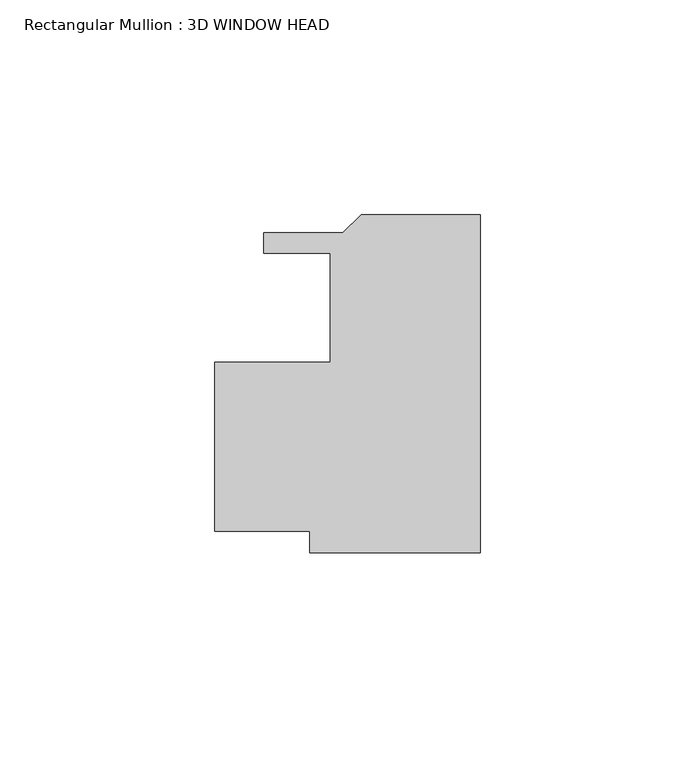
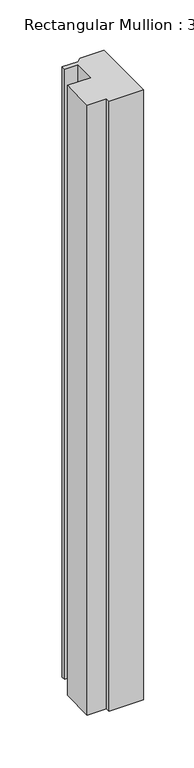
"""IFC4 building model written with IfcOpenShell, lengths in millimetres: member geometry, Rectangular Mullion : 3D WINDOW HEAD."""

from ifc_helpers import new_model, si_unit, frame, origin, place, context, project, spatial, polyline, outline, extrude, source, transform, mapped, element, save


def rectangular_mullion_3d_window_head_49952d62(model_context):
    return source(origin(), model_context, "Body", "SweptSolid", [
        extrude(outline(polyline([(0.0, -57.138783), (-39.7006057, -57.138783), (-39.7006057, -52.0588038), (-61.9070923, -52.0588038), (-61.9070923, -12.6888037), (-34.9381058, -12.6888037), (-34.9381058, 12.7111961), (-50.4207418, 12.7111961), (-50.4207418, 17.4101962), (-32.0567475, 17.4101962), (-27.7895475, 21.6773962), (0.0, 21.6773962), (0.0, -57.138783)])), frame((0.0, 0.0, -740.2692008), z_axis=(0.0, 0.0, 1.0), x_axis=(1.0, 0.0, 0.0)), (0.0, 0.0, 1.0), 740.2692008),
    ])


if __name__ == "__main__":
    model = new_model("IFC4")
    model_context = context("Model", 3, world=origin())
    ifc_project = project(units=[si_unit("LENGTHUNIT", "METRE", prefix="MILLI")], contexts=[model_context])
    site = spatial("IfcSite", under=ifc_project)
    building = spatial("IfcBuilding", under=site)
    placement = place(None, origin())
    rectangular_mullion_3d_window_head_shape = rectangular_mullion_3d_window_head_49952d62(model_context)
    element("IfcMember", 1, ObjectType="Rectangular Mullion : 3D WINDOW HEAD", at=placement, inside=building, context=model_context, shape_type="MappedRepresentation", body=[
        mapped(rectangular_mullion_3d_window_head_shape, transform((0.0, 0.0, 0.0), x_axis=(1.0, 0.0, 0.0), y_axis=(0.0, 1.0, 0.0), z_axis=(0.0, 0.0, 1.0))),
    ])
    save(model, "model.ifc")
